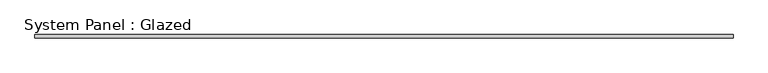
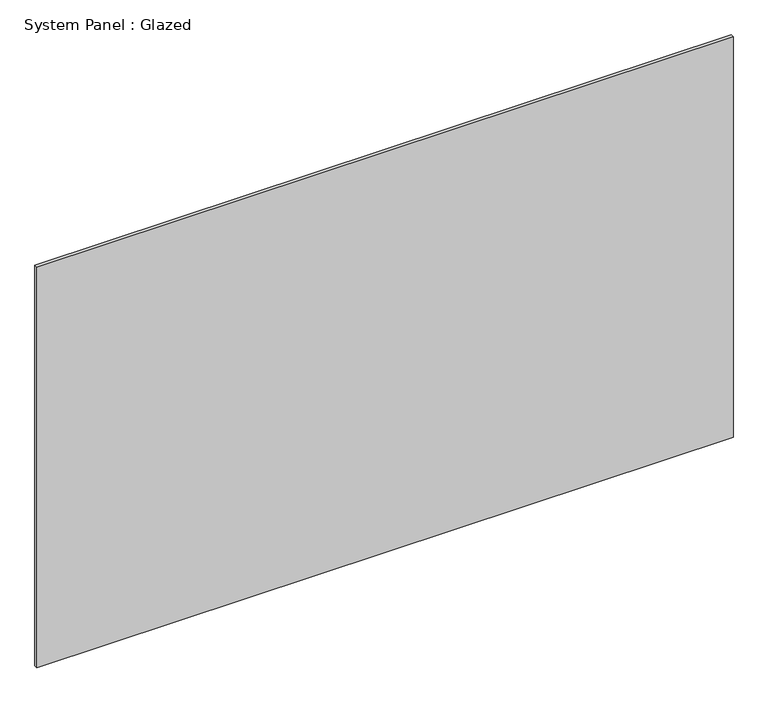
"""IFC4 building model written with IfcOpenShell, lengths in millimetres: plate geometry, System Panel : Glazed."""

from ifc_helpers import new_model, si_unit, origin, origin_with_axes, place, context, project, spatial, polyline, outline, extrude, source, transform, mapped, element, save


def system_panel_glazed_c3a343a9(model_context):
    return source(origin(), model_context, "Body", "SweptSolid", [
        extrude(outline(polyline([(2506.1333333, 19.05), (-2506.1333333, 19.05), (-2506.1333333, 44.45), (2506.1333333, 44.45), (2506.1333333, 19.05)])), origin_with_axes(), (0.0, 0.0, 1.0), 3048.0),
    ])


if __name__ == "__main__":
    model = new_model("IFC4")
    model_context = context("Model", 3, world=origin())
    ifc_project = project(units=[si_unit("LENGTHUNIT", "METRE", prefix="MILLI")], contexts=[model_context])
    site = spatial("IfcSite", under=ifc_project)
    building = spatial("IfcBuilding", under=site)
    placement = place(None, origin())
    system_panel_glazed_shape = system_panel_glazed_c3a343a9(model_context)
    element("IfcPlate", 1, ObjectType="System Panel : Glazed", at=placement, inside=building, context=model_context, shape_type="MappedRepresentation", body=[
        mapped(system_panel_glazed_shape, transform((0.0, 0.0, 0.0), x_axis=(1.0, 0.0, 0.0), y_axis=(0.0, 1.0, 0.0), z_axis=(0.0, 0.0, 1.0))),
    ])
    save(model, "model.ifc")
